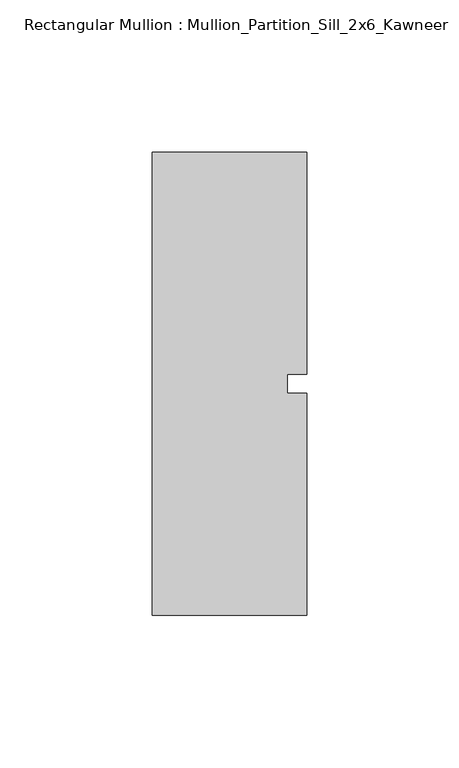
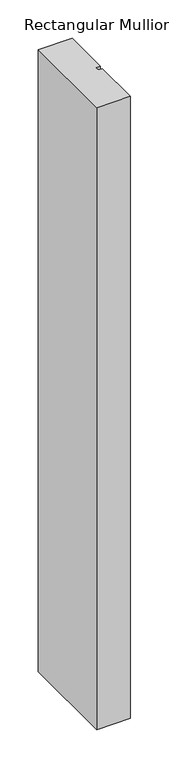
"""IFC4 building model written with IfcOpenShell, lengths in millimetres: member geometry, Rectangular Mullion : Mullion_Partition_Sill_2x6_Kawneer."""

import ifcopenshell
import ifcopenshell.guid

model = None  # the IFC model being written
_history = None  # IfcOwnerHistory: only IFC2X3 demands one
_inside = {}  # id of a spatial element -> (the spatial element, [elements in it])
_under = {}  # id of a project, library or spatial element -> (it, [spatial elements below it])
_declared = {}  # id of a project -> (the project, [libraries it declares])
_typed = {}  # id of a type object -> (the type object, [elements of that type])
_made_of = {}  # id of a material, layer set ... -> (it, [elements and type objects made of it])


def new_model(schema):
    """Start an empty IFC model of exactly this schema.

    Asked for "IFC4X3", IfcOpenShell would pick the latest addendum, in which some entities
    have other attributes; the version numbers below select the first issue.
    IFC2X3 requires an IfcOwnerHistory on every rooted entity: one is made here for all.
    """
    global model, _history
    if schema == "IFC4X3":
        model = ifcopenshell.file(schema_version=(4, 3, 0, 0))
    else:
        model = ifcopenshell.file(schema=schema)
    _inside.clear()
    _under.clear()
    _declared.clear()
    _typed.clear()
    _made_of.clear()
    _history = None
    if model.schema == "IFC2X3":
        org = make("IfcOrganization", Name="unknown")
        user = make(
            "IfcPersonAndOrganization",
            ThePerson=make("IfcPerson", FamilyName="unknown"),
            TheOrganization=org,
        )
        app = make(
            "IfcApplication",
            ApplicationDeveloper=org,
            Version="unknown",
            ApplicationFullName="unknown",
            ApplicationIdentifier="unknown",
        )
        _history = make(
            "IfcOwnerHistory",
            OwningUser=user,
            OwningApplication=app,
            ChangeAction="ADDED",
            CreationDate=0,
        )
    return model


def make(cls, **values):
    """One entity of the class cls with the attributes given. An attribute that is None is left unset."""
    return model.create_entity(
        cls, **{name: value for name, value in values.items() if value is not None}
    )


def rooted(cls, **values):
    """An entity with a GlobalId (a new one), such as an element, a storey or a relation."""
    return make(cls, GlobalId=ifcopenshell.guid.new(), OwnerHistory=_history, **values)


def si_unit(unit_type, name, prefix=None):
    """IfcSIUnit, for example si_unit("LENGTHUNIT", "METRE", prefix="MILLI")."""
    return make("IfcSIUnit", UnitType=unit_type, Prefix=prefix, Name=name)


def assignment(units):
    """IfcUnitAssignment: the units of a project."""
    return None if units is None else make("IfcUnitAssignment", Units=units)


def point(xyz):
    """IfcCartesianPoint."""
    return None if xyz is None else make("IfcCartesianPoint", Coordinates=xyz)


def direction(xyz):
    """IfcDirection."""
    return None if xyz is None else make("IfcDirection", DirectionRatios=xyz)


def frame(location, z_axis=None, x_axis=None):
    """IfcAxis2Placement3D, a coordinate frame: its origin and axes. An axis left out is left unset."""
    return make(
        "IfcAxis2Placement3D",
        Location=point(location),
        Axis=direction(z_axis),
        RefDirection=direction(x_axis),
    )


def origin():
    """The frame at (0, 0, 0) with its axes left unset."""
    return frame((0.0, 0.0, 0.0))


def place(relative_to, where):
    """IfcLocalPlacement: puts the frame where relative to a parent placement (None: the world)."""
    return make(
        "IfcLocalPlacement", PlacementRelTo=relative_to, RelativePlacement=where
    )


def context(
    kind, dimensions, precision=None, world=None, true_north=None, identifier=None
):
    """IfcGeometricRepresentationContext, for example the 3D "Model" context."""
    return make(
        "IfcGeometricRepresentationContext",
        ContextIdentifier=identifier,
        ContextType=kind,
        CoordinateSpaceDimension=dimensions,
        Precision=precision,
        WorldCoordinateSystem=world,
        TrueNorth=true_north,
    )


def project(units=None, contexts=None):
    """IfcProject with its units and contexts."""
    return rooted(
        "IfcProject",
        Name="project",
        RepresentationContexts=contexts,
        UnitsInContext=assignment(units),
    )


def spatial(cls, under=None, at=None, **own):
    """A site, building, storey or space (cls), placed at a placement, below another one or the project."""
    s = rooted(cls, ObjectPlacement=at, **own)
    if under is not None:
        _under.setdefault(under.id(), (under, []))[1].append(s)
    return s


def polyline(points):
    """IfcPolyline through the points."""
    return make("IfcPolyline", Points=[point(p) for p in points])


def outline(outer, holes=None, kind="AREA"):
    """IfcArbitraryClosedProfileDef: a profile drawn as a closed curve; with holes, ...WithVoids."""
    if holes is None:
        return make("IfcArbitraryClosedProfileDef", ProfileType=kind, OuterCurve=outer)
    return make(
        "IfcArbitraryProfileDefWithVoids",
        ProfileType=kind,
        OuterCurve=outer,
        InnerCurves=holes,
    )


def extrude(swept, where, along, depth):
    """IfcExtrudedAreaSolid: the profile swept, set in the frame where, extruded along a direction by depth."""
    return make(
        "IfcExtrudedAreaSolid",
        SweptArea=swept,
        Position=where,
        ExtrudedDirection=direction(along),
        Depth=depth,
    )


def shape(context_of_items, identifier, shape_type, items):
    """IfcShapeRepresentation: the items that make up one representation, for example the "Body"."""
    return make(
        "IfcShapeRepresentation",
        ContextOfItems=context_of_items,
        RepresentationIdentifier=identifier,
        RepresentationType=shape_type,
        Items=items,
    )


def source(mapping_origin, context_of_items, identifier, shape_type, items):
    """IfcRepresentationMap: a shape defined once, which mapped items show again and again."""
    return make(
        "IfcRepresentationMap",
        MappingOrigin=mapping_origin,
        MappedRepresentation=shape(context_of_items, identifier, shape_type, items),
    )


def transform(
    local_origin,
    x_axis=None,
    y_axis=None,
    z_axis=None,
    scale=None,
    scale2=None,
    scale3=None,
    uniform=True,
):
    """IfcCartesianTransformationOperator3D, or its non-uniform kind. x_axis, y_axis, z_axis: its Axis1, 2, 3."""
    if uniform:
        return make(
            "IfcCartesianTransformationOperator3D",
            Axis1=direction(x_axis),
            Axis2=direction(y_axis),
            LocalOrigin=point(local_origin),
            Scale=scale,
            Axis3=direction(z_axis),
        )
    return make(
        "IfcCartesianTransformationOperator3DnonUniform",
        Axis1=direction(x_axis),
        Axis2=direction(y_axis),
        LocalOrigin=point(local_origin),
        Scale=scale,
        Axis3=direction(z_axis),
        Scale2=scale2,
        Scale3=scale3,
    )


def mapped(mapping_source, mapping_target):
    """IfcMappedItem: shows the shape of a source again, moved by a transform."""
    return make(
        "IfcMappedItem", MappingSource=mapping_source, MappingTarget=mapping_target
    )


def made_of(thing, what):
    """Note that an element or type object is made of a material, layer set ...; save() writes the relation."""
    if what is not None:
        _made_of.setdefault(what.id(), (what, []))[1].append(thing)
    return thing


def element(
    cls,
    number,
    at=None,
    inside=None,
    cuts=None,
    type_object=None,
    material=None,
    context=None,
    identifier="Body",
    shape_type=None,
    held_by="IfcProductDefinitionShape",
    body=None,
    shapes=None,
    **own,
):
    """One element of the class cls, such as IfcWall. Its Tag is "e" and its number.

    at: its placement. inside: the storey or other place that contains it. cuts: it is an
    opening in that element (IfcRelVoidsElement). A single representation is given by context,
    identifier, shape_type and body (its items); several are given by shapes. held_by: the class
    of the entity that holds the representations. save() writes the other relations.
    """
    e = rooted(cls, Tag="e%d" % number, ObjectPlacement=at, **own)
    if body is not None:
        shapes = [shape(context, identifier, shape_type, body)]
    if shapes is not None:
        e.Representation = make(held_by, Representations=shapes)
    if inside is not None:
        _inside.setdefault(inside.id(), (inside, []))[1].append(e)
    if cuts is not None:
        rooted(
            "IfcRelVoidsElement", RelatingBuildingElement=cuts, RelatedOpeningElement=e
        )
    if type_object is not None:
        _typed.setdefault(type_object.id(), (type_object, []))[1].append(e)
    return made_of(e, material)


def aggregate(whole, parts):
    """IfcRelAggregates: a whole, such as a stair, and the parts it consists of."""
    return rooted("IfcRelAggregates", RelatingObject=whole, RelatedObjects=parts)


def save(model, path):
    """Write the relations noted so far, then the file.

    IfcRelAggregates (storeys below a building ...), IfcRelContainedInSpatialStructure (elements
    in a storey), IfcRelDefinesByType, IfcRelAssociatesMaterial and IfcRelDeclares: one each for
    every whole, place, type object, material and project.
    """
    for whole, parts in _under.values():
        aggregate(whole, parts)
    for where, things in _inside.values():
        rooted(
            "IfcRelContainedInSpatialStructure",
            RelatedElements=things,
            RelatingStructure=where,
        )
    for kind, things in _typed.values():
        rooted("IfcRelDefinesByType", RelatedObjects=things, RelatingType=kind)
    for what, things in _made_of.values():
        rooted("IfcRelAssociatesMaterial", RelatedObjects=things, RelatingMaterial=what)
    for by, libraries in _declared.values():
        rooted("IfcRelDeclares", RelatingContext=by, RelatedDefinitions=libraries)
    model.write(path)


def rectangular_mullion_mullion_partition_sill_2x6_kawneer_8f485e7b(model_context):
    return source(origin(), model_context, "Body", "SweptSolid", [
        extrude(outline(polyline([(25.4, -76.2), (-25.4, -76.2), (-25.4, 76.2), (25.4, 76.2), (25.4, 3.175), (19.05, 3.175), (19.05, -3.175), (25.4, -3.175), (25.4, -76.2)])), frame((0.0, 0.0, -990.6), z_axis=(0.0, 0.0, 1.0), x_axis=(1.0, 0.0, 0.0)), (0.0, 0.0, 1.0), 990.6),
    ])


if __name__ == "__main__":
    model = new_model("IFC4")
    model_context = context("Model", 3, world=origin())
    ifc_project = project(units=[si_unit("LENGTHUNIT", "METRE", prefix="MILLI")], contexts=[model_context])
    site = spatial("IfcSite", under=ifc_project)
    building = spatial("IfcBuilding", under=site)
    placement = place(None, origin())
    rectangular_mullion_mullion_partition_sill_2x6_kawneer_shape = rectangular_mullion_mullion_partition_sill_2x6_kawneer_8f485e7b(model_context)
    element("IfcMember", 1, ObjectType="Rectangular Mullion : Mullion_Partition_Sill_2x6_Kawneer", at=placement, inside=building, context=model_context, shape_type="MappedRepresentation", body=[
        mapped(rectangular_mullion_mullion_partition_sill_2x6_kawneer_shape, transform((0.0, 0.0, 0.0), x_axis=(1.0, 0.0, 0.0), y_axis=(0.0, 1.0, 0.0), z_axis=(0.0, 0.0, 1.0))),
    ])
    save(model, "model.ifc")
